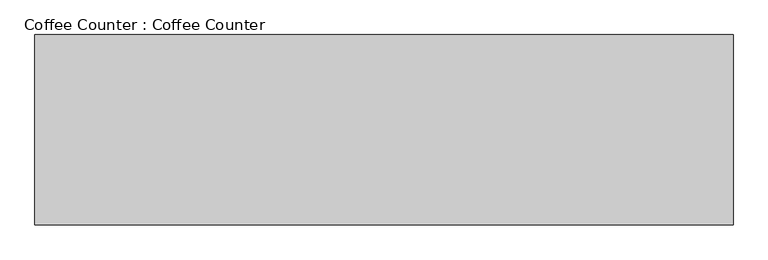
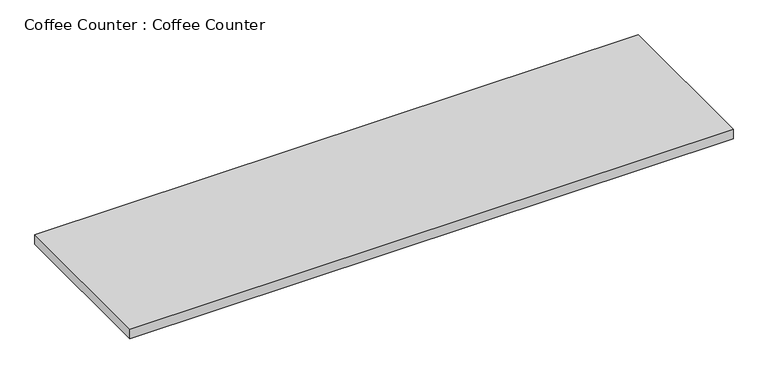
"""IFC4 building model written with IfcOpenShell, lengths in millimetres: furniture geometry, Coffee Counter : Coffee Counter."""

from ifc_helpers import new_model, si_unit, frame, origin, place, context, project, spatial, polyline, outline, extrude, source, transform, mapped, element, save


def coffee_counter_coffee_counter_76209820(model_context):
    return source(origin(), model_context, "Body", "SweptSolid", [
        extrude(outline(polyline([(215751.5478488, 169948.9846581), (215751.5478488, 169339.3846581), (213516.3478488, 169339.3846581), (213516.3478488, 169948.9846581), (215751.5478488, 169948.9846581)])), frame((0.0, 0.0, 1020.0592564), z_axis=(0.0, 0.0, 1.0), x_axis=(1.0, 0.0, 0.0)), (0.0, 0.0, 1.0), 38.1),
    ])


if __name__ == "__main__":
    model = new_model("IFC4")
    model_context = context("Model", 3, world=origin())
    ifc_project = project(units=[si_unit("LENGTHUNIT", "METRE", prefix="MILLI")], contexts=[model_context])
    site = spatial("IfcSite", under=ifc_project)
    building = spatial("IfcBuilding", under=site)
    placement = place(None, origin())
    coffee_counter_coffee_counter_shape = coffee_counter_coffee_counter_76209820(model_context)
    element("IfcFurniture", 1, ObjectType="Coffee Counter : Coffee Counter", at=placement, inside=building, context=model_context, shape_type="MappedRepresentation", body=[
        mapped(coffee_counter_coffee_counter_shape, transform((0.0, 0.0, 0.0), x_axis=(1.0, 0.0, 0.0), y_axis=(0.0, 1.0, 0.0), z_axis=(0.0, 0.0, 1.0))),
    ])
    save(model, "model.ifc")
